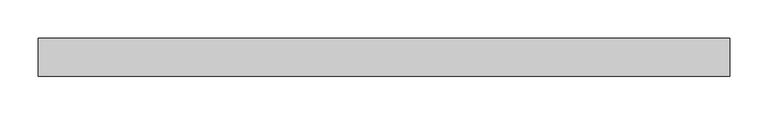
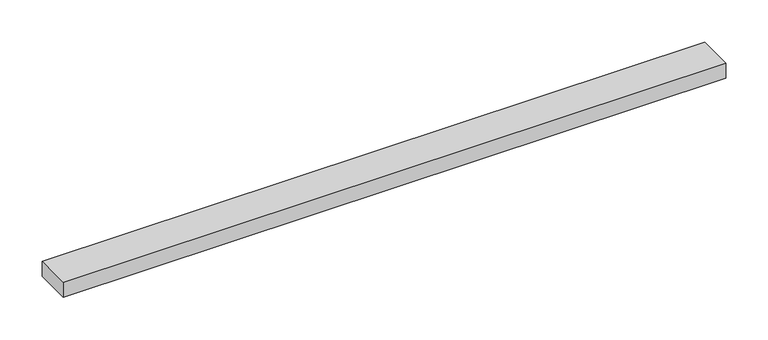
"""IFC4 building model written with IfcOpenShell, lengths in millimetres: beam geometry."""

from ifc_helpers import new_model, si_unit, frame, origin, place, context, project, spatial, polyline, outline, extrude, source, transform, mapped, element, save


def beam_ed67ee9e(model_context):
    return source(origin(), model_context, "Body", "SweptSolid", [
        extrude(outline(polyline([(452.5, 25.0), (452.5, -25.0), (-452.5, -25.0), (-452.5, 25.0), (452.5, 25.0)])), frame((0.0, 0.0, -11.0), z_axis=(0.0, 0.0, 1.0), x_axis=(1.0, 0.0, 0.0)), (0.0, 0.0, 1.0), 22.0),
    ])


if __name__ == "__main__":
    model = new_model("IFC4")
    model_context = context("Model", 3, world=origin())
    ifc_project = project(units=[si_unit("LENGTHUNIT", "METRE", prefix="MILLI")], contexts=[model_context])
    site = spatial("IfcSite", under=ifc_project)
    building = spatial("IfcBuilding", under=site)
    placement = place(None, origin())
    beam_shape = beam_ed67ee9e(model_context)
    element("IfcBeam", 1, at=placement, inside=building, context=model_context, shape_type="MappedRepresentation", body=[
        mapped(beam_shape, transform((0.0, 0.0, 0.0), x_axis=(1.0, 0.0, 0.0), y_axis=(0.0, 1.0, 0.0), z_axis=(0.0, 0.0, 1.0))),
    ])
    save(model, "model.ifc")
